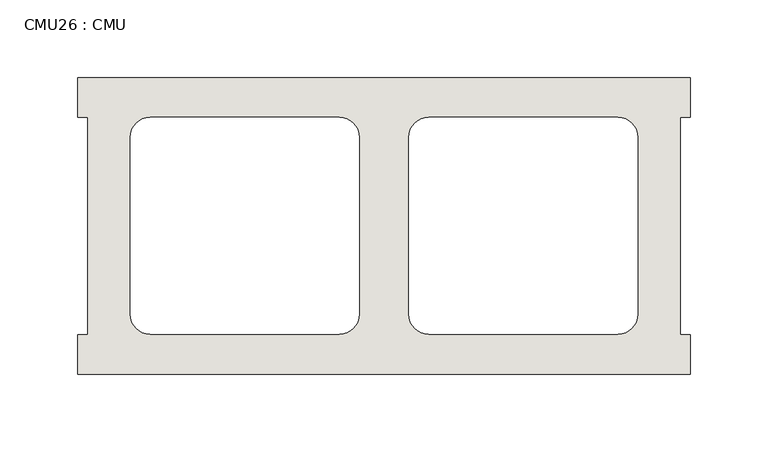
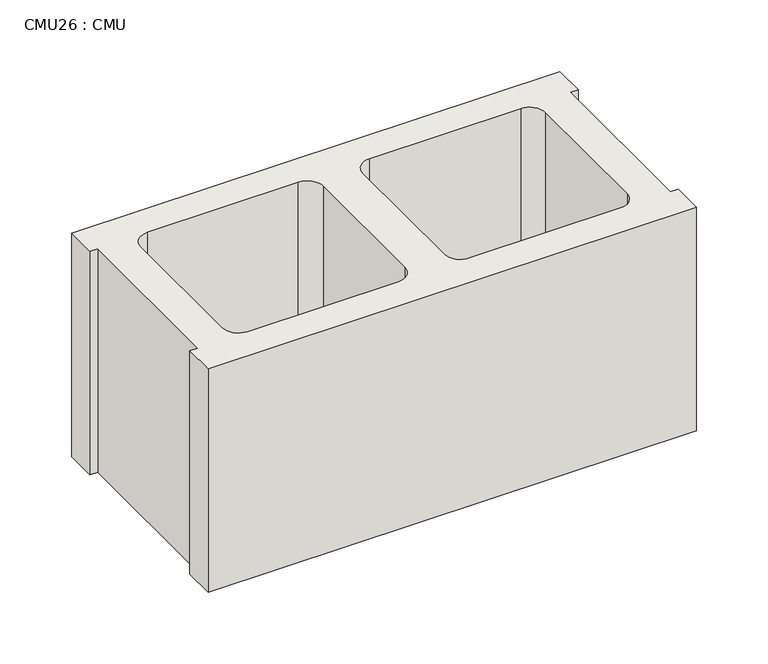
"""IFC4 building model written with IfcOpenShell, lengths in millimetres: wall geometry, CMU26 : CMU."""

from ifc_helpers import new_model, si_unit, point, frame, frame_2d, origin, place, context, project, spatial, polyline, circle_curve, trimmed, segment, composite_curve, outline, extrude, source, transform, mapped, element, save


def cmu26_cmu_007bc5b1(model_context):
    return source(origin(), model_context, "Body", "SweptSolid", [
        extrude(outline(polyline([(761.7060968, 2871.3003704), (1155.4060968, 2871.3003704), (1155.4060968, 2845.9003704), (1149.0560968, 2845.9003704), (1149.0560968, 2706.2003704), (1155.4060968, 2706.2003704), (1155.4060968, 2680.8003704), (761.7060968, 2680.8003704), (761.7060968, 2706.2003704), (768.0560968, 2706.2003704), (768.0560968, 2845.9003704), (761.7060968, 2845.9003704), (761.7060968, 2871.3003704)]), holes=[composite_curve([segment(polyline([(929.8740955, 2845.9003704), (808.1574454, 2845.9003704)]), True, "CONTINUOUS"), segment(trimmed(circle_curve(frame_2d((808.1574454, 2833.2003704)), 12.7), [point((808.1574454, 2845.9003704))], [point((795.4574454, 2833.2003704))], True, "CARTESIAN"), True, "CONTINUOUS"), segment(polyline([(795.4574454, 2833.2003704), (795.4574454, 2719.1345307)]), True, "CONTINUOUS"), segment(trimmed(circle_curve(frame_2d((808.1574454, 2719.1345307)), 12.7), [point((795.4574454, 2719.1345307))], [point((808.1574454, 2706.4345307))], True, "CARTESIAN"), True, "CONTINUOUS"), segment(polyline([(808.1574454, 2706.4345307), (929.8740955, 2706.4345307)]), True, "CONTINUOUS"), segment(trimmed(circle_curve(frame_2d((929.8740955, 2719.1345307)), 12.7), [point((929.8740955, 2706.4345307))], [point((942.5740955, 2719.1345307))], True, "CARTESIAN"), True, "CONTINUOUS"), segment(polyline([(942.5740955, 2719.1345307), (942.5740955, 2833.2003704)]), True, "CONTINUOUS"), segment(trimmed(circle_curve(frame_2d((929.8740955, 2833.2003704)), 12.7), [point((942.5740955, 2833.2003704))], [point((929.8740955, 2845.9003704))], True, "CARTESIAN"), True, "CONTINUOUS")], self_intersect=False), composite_curve([segment(trimmed(circle_curve(frame_2d((987.2380982, 2833.2003704)), 12.7), [point((987.2380982, 2845.9003704))], [point((974.5380982, 2833.2003704))], True, "CARTESIAN"), True, "CONTINUOUS"), segment(polyline([(974.5380982, 2833.2003704), (974.5380982, 2719.1345307)]), True, "CONTINUOUS"), segment(trimmed(circle_curve(frame_2d((987.2380982, 2719.1345307)), 12.7), [point((974.5380982, 2719.1345307))], [point((987.2380982, 2706.4345307))], True, "CARTESIAN"), True, "CONTINUOUS"), segment(polyline([(987.2380982, 2706.4345307), (1108.9547483, 2706.4345307)]), True, "CONTINUOUS"), segment(trimmed(circle_curve(frame_2d((1108.9547483, 2719.1345307)), 12.7), [point((1108.9547483, 2706.4345307))], [point((1121.6547483, 2719.1345307))], True, "CARTESIAN"), True, "CONTINUOUS"), segment(polyline([(1121.6547483, 2719.1345307), (1121.6547483, 2833.2003704)]), True, "CONTINUOUS"), segment(trimmed(circle_curve(frame_2d((1108.9547483, 2833.2003704)), 12.7), [point((1121.6547483, 2833.2003704))], [point((1108.9547483, 2845.9003704))], True, "CARTESIAN"), True, "CONTINUOUS"), segment(polyline([(1108.9547483, 2845.9003704), (987.2380982, 2845.9003704)]), True, "CONTINUOUS")], self_intersect=False)]), frame((0.0, 0.0, 203.2), z_axis=(0.0, 0.0, 1.0), x_axis=(1.0, 0.0, 0.0)), (0.0, 0.0, 1.0), 190.5),
    ])


if __name__ == "__main__":
    model = new_model("IFC4")
    model_context = context("Model", 3, world=origin())
    ifc_project = project(units=[si_unit("LENGTHUNIT", "METRE", prefix="MILLI")], contexts=[model_context])
    site = spatial("IfcSite", under=ifc_project)
    building = spatial("IfcBuilding", under=site)
    placement = place(None, origin())
    cmu26_cmu_shape = cmu26_cmu_007bc5b1(model_context)
    element("IfcWall", 1, ObjectType="CMU26 : CMU", at=placement, inside=building, context=model_context, shape_type="MappedRepresentation", body=[
        mapped(cmu26_cmu_shape, transform((0.0, 0.0, 0.0), x_axis=(1.0, 0.0, 0.0), y_axis=(0.0, 1.0, 0.0), z_axis=(0.0, 0.0, 1.0))),
    ])
    save(model, "model.ifc")
